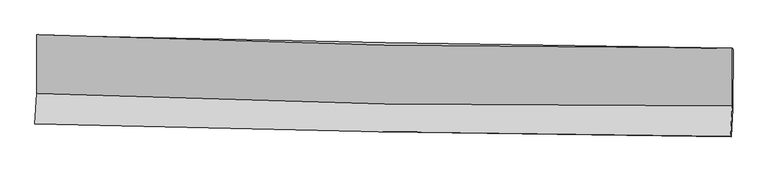
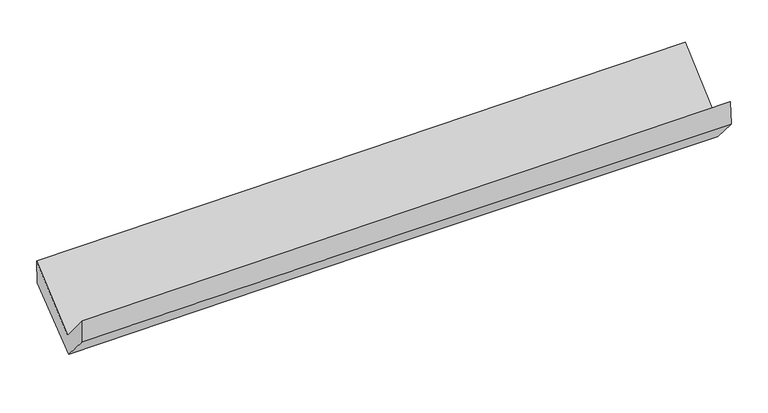
"""IFC4 building model written with IfcOpenShell, lengths in millimetres: proxy geometry."""

from ifc_helpers import new_model, si_unit, frame, origin, place, context, project, spatial, source, transform, mapped, element, save
from ifc_brep_helpers import plane_surface, spline_curve, spline_surface, advanced_brep


def generic_models_db6fc010(model_context):
    return source(origin(), model_context, "Body", "AdvancedBrep", [
        advanced_brep(
        [(-3030.1949626, -1157.2661147, 2180.1692682), (-3031.3685251, -1668.6180974, 1746.091842), (3021.3154511, -1777.3079472, 1874.7459031), (3022.0282084, -1274.5592559, 2318.1399379), (-3046.1488012, -1932.8179866, 2055.9112203), (3006.3157675, -2041.6088303, 2192.7384014), (-3040.311864, -1924.9375464, 1843.3382081), (3011.8885009, -2049.6322926, 1975.2450664), (-3026.5712927, -1674.726994, 1559.6112934), (3025.4364457, -1802.9293956, 1695.4956668), (-3024.466573, -1161.2749446, 1960.5657193), (3027.392721, -1284.6658457, 2106.5441815)],
        [
            (0, 1),
            (1, 2, spline_curve(3, [(-3031.3685251, -1668.6180974, 1746.091842), (-2023.673599202, -1710.456416148, 1788.406423412), (-1015.464337527, -1740.433221433, 1820.284869479), (1002.096871834, -1776.665852912, 1863.171915913), (2011.448935466, -1782.918997473, 1874.17815666), (3021.3154511, -1777.3079472, 1874.7459031)], [4, 2, 4], [0.0, 9.93327928724909, 19.867681318069828])),
            (2, 3),
            (3, 0, spline_curve(3, [(3022.0282084, -1274.5592559, 2318.1399379), (2012.486857666, -1274.665809316, 2310.468204879), (1003.335772162, -1264.943550013, 2295.133699771), (-1014.071863334, -1225.843614766, 2249.141744683), (-2022.32850122, -1196.46816033, 2218.486026538), (-3030.1949626, -1157.2661147, 2180.1692682)], [4, 2, 4], [0.0, 9.934402030820738, 19.867681318069828])),
            (1, 4),
            (4, 5, spline_curve(3, [(-3046.1488012, -1932.8179866, 2055.9112203), (-2037.919589704, -1963.359469082, 2088.659789496), (-1029.461451942, -1987.69595226, 2116.435975766), (988.026685719, -2023.960969514, 2162.046159914), (1997.056737596, -2035.888100909, 2179.879034039), (3006.3157675, -2041.6088303, 2192.7384014)], [4, 2, 4], [0.0, 9.932995262699782, 19.86711323686835])),
            (5, 2),
            (4, 6),
            (6, 7, spline_curve(3, [(-3040.311864, -1924.9375464, 1843.3382081), (-2031.82753732, -1949.290623161, 1872.262072025), (-1023.263849402, -1971.857904057, 1897.715817024), (994.136254404, -2013.423223242, 1941.685554352), (2002.972687954, -2032.420857495, 1960.200761847), (3011.8885009, -2049.6322926, 1975.2450664)], [4, 2, 4], [0.0, 9.932262545145777, 19.865647718942377])),
            (7, 5),
            (6, 8),
            (8, 9, spline_curve(3, [(-3026.5712927, -1674.726994, 1559.6112934), (-2018.175643147, -1700.694849403, 1590.366239767), (-1009.672346813, -1724.361836959, 1617.067000129), (1007.663541786, -1767.096491022, 1662.362707779), (2016.49615815, -1786.163637239, 1680.956738834), (3025.4364457, -1802.9293956, 1695.4956668)], [4, 2, 4], [0.0, 9.932131992442239, 19.865386598779125])),
            (9, 7),
            (8, 10),
            (10, 11, spline_curve(3, [(-3024.466573, -1161.2749446, 1960.5657193), (-2016.024304332, -1182.706224005, 1993.807322853), (-1007.510065794, -1203.703882396, 2022.592560845), (1009.776349171, -1244.834280926, 2071.253055411), (2018.54854221, -1264.966922937, 2091.127305108), (3027.392721, -1284.6658457, 2106.5441815)], [4, 2, 4], [0.0, 9.932101511426309, 19.865325633302042])),
            (11, 9),
            (10, 0),
            (3, 11),
        ],
        [
            spline_surface(3, 3, [[(-3030.1949626, -1157.2661147, 2180.1692682), (-2022.32850134, -1196.468160438, 2218.486026529), (-1014.071863314, -1225.843614783, 2249.14174464), (1003.335772142, -1264.943549995, 2295.133699814), (2012.48685779, -1274.665809416, 2310.468204915), (3022.0282084, -1274.5592559, 2318.1399379)], [(-3030.586150118, -1327.716775579, 2035.476792799), (-2022.77686727, -1367.797578968, 2075.12615877), (-1014.536021367, -1397.373483663, 2106.189452921), (1002.922805317, -1435.517650961, 2151.146438485), (2012.140883671, -1444.083538773, 2165.038188814), (3021.790622633, -1442.142153002, 2170.341926304)], [(-3030.977337582, -1498.167436521, 1890.784317401), (-2023.225233145, -1539.126997561, 1931.766291013), (-1015.000179364, -1568.903352558, 1963.237161243), (1002.509838548, -1606.091751941, 2007.159177196), (2011.794909553, -1613.501268125, 2019.608172701), (3021.553036867, -1609.725050098, 2022.543914696)], [(-3031.3685251, -1668.6180974, 1746.091842), (-2023.673599076, -1710.456416091, 1788.406423254), (-1015.464337416, -1740.433221438, 1820.284869525), (1002.096871723, -1776.665852906, 1863.171915868), (2011.448935434, -1782.918997482, 1874.1781566), (3021.3154511, -1777.3079472, 1874.7459031)]], [4, 4], [4, 2, 4], [0.0, 2.1973863082423915], [0.0, 9.93327928724909, 19.867681318069828]),
            spline_surface(3, 3, [[(-3031.3685251, -1668.6180974, 1746.091842), (-2023.673599076, -1710.456416091, 1788.406423254), (-1015.464337416, -1740.433221438, 1820.284869525), (1002.096871723, -1776.665852906, 1863.171915868), (2011.448935434, -1782.918997482, 1874.1781566), (3021.3154511, -1777.3079472, 1874.7459031)], [(-3036.295283801, -1756.684727129, 1849.364968098), (-2028.422262595, -1794.757433739, 1888.490878618), (-1020.130042276, -1822.854131717, 1919.001904875), (997.406809759, -1859.097558481, 1962.796663927), (2006.6515362, -1867.242031977, 1976.078449112), (3016.315556565, -1865.408241583, 1980.743402514)], [(-3041.222042499, -1844.751356871, 1952.638094202), (-2033.17092611, -1879.058451401, 1988.575333989), (-1024.795747166, -1905.27504193, 2017.718940254), (992.716747766, -1941.52926399, 2062.421412015), (2001.854136971, -1951.565066423, 2077.978741681), (3011.315662035, -1953.508535917, 2086.740901986)], [(-3046.1488012, -1932.8179866, 2055.9112203), (-2037.919589628, -1963.359469049, 2088.659789353), (-1029.461452025, -1987.695952209, 2116.435975605), (988.026685802, -2023.960969565, 2162.046160075), (1997.056737737, -2035.888100918, 2179.879034193), (3006.3157675, -2041.6088303, 2192.7384014)]], [4, 4], [4, 2, 4], [0.0, 1.270060940785393], [0.0, 9.932995262699782, 19.86711323686835]),
            spline_surface(3, 3, [[(-3046.1488012, -1932.8179866, 2055.9112203), (-2037.919589628, -1963.359469049, 2088.659789353), (-1029.461452025, -1987.695952209, 2116.435975605), (988.026685802, -2023.960969565, 2162.046160075), (1997.056737737, -2035.888100918, 2179.879034193), (3006.3157675, -2041.6088303, 2192.7384014)], [(-3044.203155473, -1930.191173227, 1985.053549578), (-2035.888905513, -1958.669853763, 2016.527216907), (-1027.395584478, -1982.416602819, 2043.529256087), (990.063208642, -2020.448387425, 2088.592624817), (1999.028721166, -2034.732353148, 2106.652943472), (3008.173345291, -2044.283317725, 2120.240623073)], [(-3042.257509727, -1927.564359773, 1914.195878822), (-2033.858221379, -1953.980238395, 1944.394644427), (-1025.329716898, -1977.137253488, 1970.622536581), (992.099731513, -2016.935805343, 2015.13908957), (2001.000704622, -2033.576605403, 2033.426852731), (3010.030923109, -2046.957805175, 2047.742844727)], [(-3040.311864, -1924.9375464, 1843.3382081), (-2031.827537263, -1949.290623109, 1872.262071982), (-1023.263849351, -1971.857904097, 1897.715817064), (994.136254353, -2013.423223203, 1941.685554313), (2002.97268805, -2032.420857633, 1960.200762011), (3011.8885009, -2049.6322926, 1975.2450664)]], [4, 4], [4, 2, 4], [0.0, 0.721857841878268], [0.0, 9.932262545145777, 19.865647718942377]),
            spline_surface(3, 3, [[(-3040.311864, -1924.9375464, 1843.3382081), (-2031.827537263, -1949.290623109, 1872.262071982), (-1023.263849351, -1971.857904097, 1897.715817064), (994.136254353, -2013.423223203, 1941.685554313), (2002.97268805, -2032.420857633, 1960.200762011), (3011.8885009, -2049.6322926, 1975.2450664)], [(-3035.731673549, -1841.534028907, 1748.762569855), (-2027.276905895, -1866.425365203, 1778.296794612), (-1018.73334849, -1889.359215054, 1804.166211422), (998.645350134, -1931.314312467, 1848.577938809), (2007.480511393, -1950.335117527, 1867.119420904), (3016.404482509, -1967.397993587, 1881.995266529)], [(-3031.151483151, -1758.130511493, 1654.186931645), (-2022.726274579, -1783.560107376, 1684.331517278), (-1014.202847607, -1806.860526019, 1710.616605764), (1003.154445938, -1849.205401739, 1755.470323289), (2011.98833471, -1868.249377461, 1774.038079811), (3020.920464091, -1885.163694613, 1788.745466671)], [(-3026.5712927, -1674.726994, 1559.6112934), (-2018.17564321, -1700.69484947, 1590.366239909), (-1009.672346747, -1724.361836976, 1617.067000123), (1007.66354172, -1767.096491004, 1662.362707785), (2016.496158052, -1786.163637355, 1680.956738704), (3025.4364457, -1802.9293956, 1695.4956668)]], [4, 4], [4, 2, 4], [0.0, 1.22556426516431], [0.0, 9.932131992442239, 19.865386598779125]),
            spline_surface(3, 3, [[(-3026.5712927, -1674.726994, 1559.6112934), (-2018.17564321, -1700.69484947, 1590.366239909), (-1009.672346747, -1724.361836976, 1617.067000123), (1007.66354172, -1767.096491004, 1662.362707785), (2016.496158052, -1786.163637355, 1680.956738704), (3025.4364457, -1802.9293956, 1695.4956668)], [(-3025.869719469, -1503.576310874, 1693.262768728), (-2017.458530213, -1528.031974374, 1724.846600877), (-1008.951586418, -1550.809185483, 1752.242186996), (1008.367810911, -1593.009087639, 1798.659490378), (2017.180286086, -1612.431399227, 1817.680260805), (3026.088537454, -1630.174878988, 1832.511838367)], [(-3025.168146231, -1332.425627726, 1826.914243972), (-2016.741417208, -1355.369099257, 1859.326961763), (-1008.230826167, -1377.256533947, 1887.417373844), (1009.072080025, -1418.921684233, 1934.956272946), (2017.864414159, -1438.699161033, 1954.403782907), (3026.740629246, -1457.420362312, 1969.528009933)], [(-3024.466573, -1161.2749446, 1960.5657193), (-2016.024304212, -1182.706224162, 1993.807322731), (-1007.510065839, -1203.703882454, 2022.592560717), (1009.776349216, -1244.834280868, 2071.253055539), (2018.548542193, -1264.966922905, 2091.127305008), (3027.392721, -1284.6658457, 2106.5441815)]], [4, 4], [4, 2, 4], [0.0, 2.1706760587285503], [0.0, 9.932101511426309, 19.865325633302042]),
            spline_surface(3, 3, [[(-3024.466573, -1161.2749446, 1960.5657193), (-2016.024304212, -1182.706224162, 1993.807322731), (-1007.510065839, -1203.703882454, 2022.592560717), (1009.776349216, -1244.834280868, 2071.253055539), (2018.548542193, -1264.966922905, 2091.127305008), (3027.392721, -1284.6658457, 2106.5441815)], [(-3026.37603619, -1159.938667984, 2033.766902242), (-2018.125703244, -1187.293536271, 2068.700223973), (-1009.697331663, -1211.083793222, 2098.108955371), (1007.629490192, -1251.537370568, 2145.879936976), (2016.52798074, -1268.199885057, 2164.240938324), (3025.604550148, -1281.296982415, 2177.076100313)], [(-3028.28549941, -1158.602391316, 2106.968085258), (-2020.227102307, -1191.880848328, 2143.593125287), (-1011.88459749, -1218.463704016, 2173.625349986), (1005.482631166, -1258.240460295, 2220.506818376), (2014.507419243, -1271.432847264, 2237.354571599), (3023.816379252, -1277.928119185, 2247.608019087)], [(-3030.1949626, -1157.2661147, 2180.1692682), (-2022.32850134, -1196.468160438, 2218.486026529), (-1014.071863314, -1225.843614783, 2249.14174464), (1003.335772142, -1264.943549995, 2295.133699814), (2012.48685779, -1274.665809416, 2310.468204915), (3022.0282084, -1274.5592559, 2318.1399379)]], [4, 4], [4, 2, 4], [0.0, 0.7424432284540107], [0.0, 9.932376489341467, 19.865875620212698]),
            plane_surface(frame((3019.0628491, -1705.1172612, 2027.1515262), z_axis=(0.999340425240596, -0.024806510512753743, 0.026520775179576378), x_axis=(0.0029574012700241134, 0.7834854895550859, 0.6214030426658335))),
            plane_surface(frame((-3033.1770031, -1586.6069473, 1890.9479252), z_axis=(-0.9993404252405468, 0.024806510513783315, -0.026520775180464053), x_axis=(0.02607193027858837, -0.018245604810761814, -0.9994935479314702))),
        ],
        [
            (0, [[1, 2, 3, 4]]),
            (1, [[5, 6, 7, -2]]),
            (2, [[8, 9, 10, -6]]),
            (3, [[11, 12, 13, -9]]),
            (4, [[14, 15, 16, -12]]),
            (5, [[17, -4, 18, -15]]),
            (6, [[-16, -18, -3, -7, -10, -13]]),
            (7, [[-17, -14, -11, -8, -5, -1]]),
        ],
    ),
    ])


if __name__ == "__main__":
    model = new_model("IFC4")
    model_context = context("Model", 3, world=origin())
    ifc_project = project(units=[si_unit("LENGTHUNIT", "METRE", prefix="MILLI")], contexts=[model_context])
    site = spatial("IfcSite", under=ifc_project)
    building = spatial("IfcBuilding", under=site)
    placement = place(None, origin())
    generic_models_shape = generic_models_db6fc010(model_context)
    element("IfcBuildingElementProxy", 1, Name="Generic Models", at=placement, inside=building, context=model_context, shape_type="MappedRepresentation", body=[
        mapped(generic_models_shape, transform((0.0, 0.0, 0.0), x_axis=(1.0, 0.0, 0.0), y_axis=(0.0, 1.0, 0.0), z_axis=(0.0, 0.0, 1.0))),
    ])
    save(model, "model.ifc")
